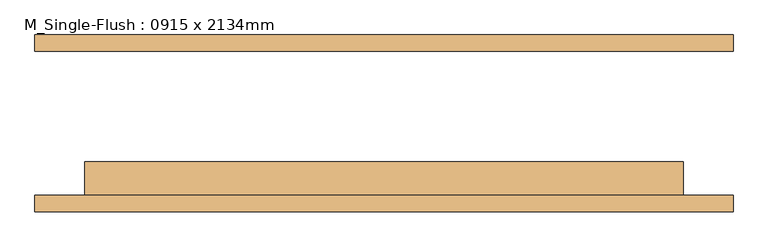
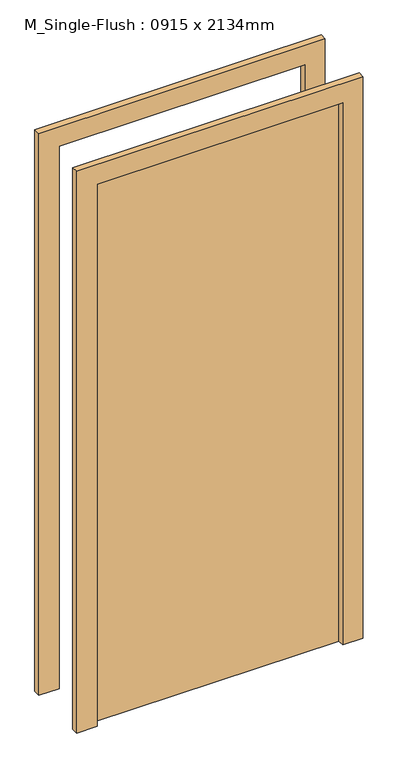
"""IFC4 building model written with IfcOpenShell, lengths in millimetres: door geometry, M_Single-Flush : 0915 x 2134mm."""

from ifc_helpers import new_model, si_unit, frame, origin, origin_with_axes, place, context, project, spatial, polyline, outline, extrude, source, transform, mapped, element, save


def m_single_flush_0915_x_2134mm_2e2fb4d3(model_context):
    return source(origin(), model_context, "Body", "SweptSolid", [
        extrude(outline(polyline([(2210.0, -533.5), (0.0, -533.5), (0.0, -457.5), (2134.0, -457.5), (2134.0, 457.5), (0.0, 457.5), (0.0, 533.5), (2210.0, 533.5), (2210.0, -533.5)])), frame((0.0, -135.0, 0.0), z_axis=(0.0, 1.0, 0.0), x_axis=(0.0, 0.0, 1.0)), (0.0, 0.0, 1.0), 25.0),
        extrude(outline(polyline([(2210.0, 533.5), (2210.0, -533.5), (0.0, -533.5), (0.0, -457.5), (2134.0, -457.5), (2134.0, 457.5), (0.0, 457.5), (0.0, 533.5), (2210.0, 533.5)])), frame((0.0, 110.0, 0.0), z_axis=(0.0, 1.0, 0.0), x_axis=(0.0, 0.0, 1.0)), (0.0, 0.0, 1.0), 25.0),
        extrude(outline(polyline([(457.5, -59.0), (457.5, -110.0), (-457.5, -110.0), (-457.5, -59.0), (457.5, -59.0)])), origin_with_axes(), (0.0, 0.0, 1.0), 2134.0),
    ])


if __name__ == "__main__":
    model = new_model("IFC4")
    model_context = context("Model", 3, world=origin())
    ifc_project = project(units=[si_unit("LENGTHUNIT", "METRE", prefix="MILLI")], contexts=[model_context])
    site = spatial("IfcSite", under=ifc_project)
    building = spatial("IfcBuilding", under=site)
    placement = place(None, origin())
    m_single_flush_0915_x_2134mm_shape = m_single_flush_0915_x_2134mm_2e2fb4d3(model_context)
    element("IfcDoor", 1, ObjectType="M_Single-Flush : 0915 x 2134mm", at=placement, inside=building, context=model_context, shape_type="MappedRepresentation", body=[
        mapped(m_single_flush_0915_x_2134mm_shape, transform((0.0, 0.0, 0.0), x_axis=(1.0, 0.0, 0.0), y_axis=(0.0, 1.0, 0.0), z_axis=(0.0, 0.0, 1.0))),
    ])
    save(model, "model.ifc")
